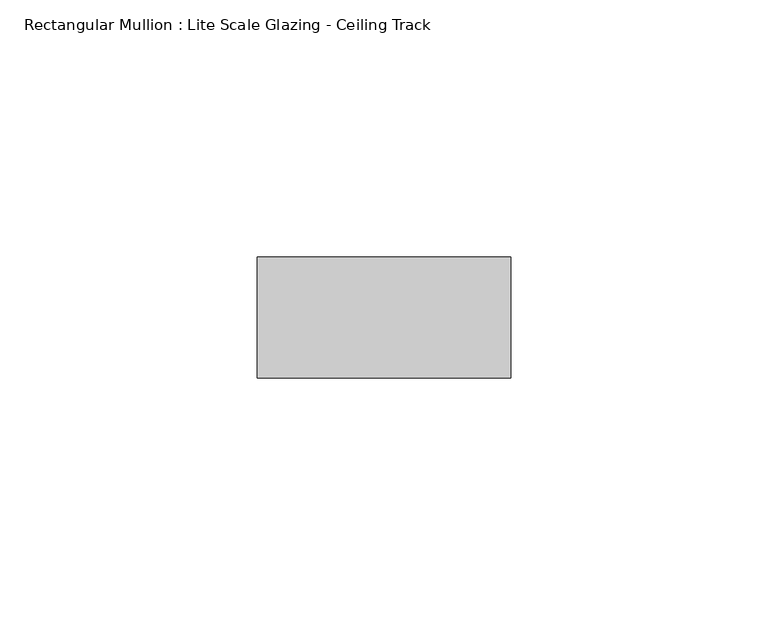
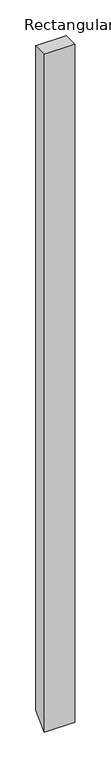
"""IFC4 building model written with IfcOpenShell, lengths in millimetres: member geometry, Rectangular Mullion : Lite Scale Glazing - Ceiling Track."""

from ifc_helpers import new_model, si_unit, frame, origin, place, context, project, spatial, polyline, outline, extrude, source, transform, mapped, element, save


def rectangular_mullion_lite_scale_glazing_ceiling_track_a90a3f56(model_context):
    return source(origin(), model_context, "Body", "SweptSolid", [
        extrude(outline(polyline([(-11.7474999, 0.0124189), (11.7474999, -0.0124189), (11.7474999, -1132.7189392), (-11.7474999, -1156.159537), (-11.7474999, 0.0124189)])), frame((-49.276, 0.0, 0.0), z_axis=(1.0, 0.0, 0.0), x_axis=(0.0, 1.0, 0.0)), (0.0, 0.0, 1.0), 49.276),
    ])


if __name__ == "__main__":
    model = new_model("IFC4")
    model_context = context("Model", 3, world=origin())
    ifc_project = project(units=[si_unit("LENGTHUNIT", "METRE", prefix="MILLI")], contexts=[model_context])
    site = spatial("IfcSite", under=ifc_project)
    building = spatial("IfcBuilding", under=site)
    placement = place(None, origin())
    rectangular_mullion_lite_scale_glazing_ceiling_track_shape = rectangular_mullion_lite_scale_glazing_ceiling_track_a90a3f56(model_context)
    element("IfcMember", 1, ObjectType="Rectangular Mullion : Lite Scale Glazing - Ceiling Track", at=placement, inside=building, context=model_context, shape_type="MappedRepresentation", body=[
        mapped(rectangular_mullion_lite_scale_glazing_ceiling_track_shape, transform((0.0, 0.0, 0.0), x_axis=(1.0, 0.0, 0.0), y_axis=(0.0, 1.0, 0.0), z_axis=(0.0, 0.0, 1.0))),
    ])
    save(model, "model.ifc")
